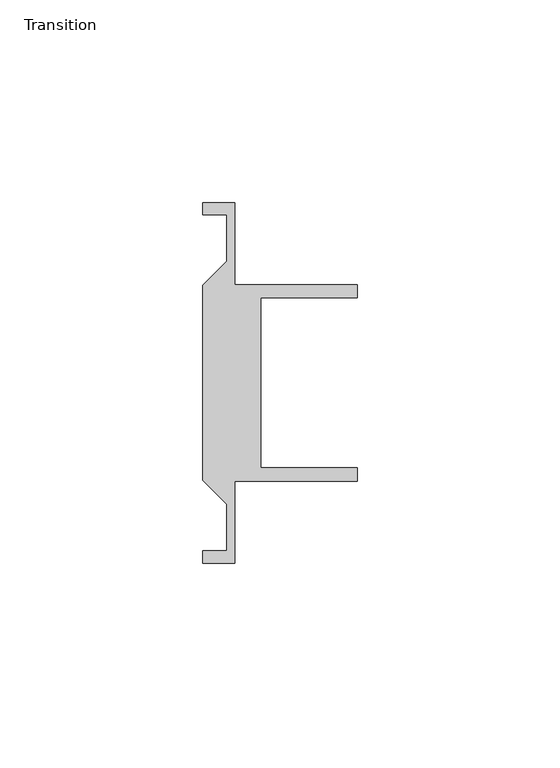
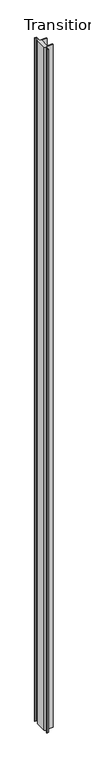
"""IFC4 building model written with IfcOpenShell, lengths in millimetres: furniture geometry, Transition."""

from ifc_helpers import new_model, si_unit, origin, origin_with_axes, place, context, project, spatial, polyline, outline, extrude, source, transform, mapped, element, save


def transition_2b3c9d75(model_context):
    return source(origin(), model_context, "Body", "SweptSolid", [
        extrude(outline(polyline([(37.9146531, 39.7518058), (68.0771531, 39.7518058), (68.0771531, 36.4518057), (44.2646531, 36.4518057), (44.2646531, -5.4481956), (68.0771531, -5.4481956), (68.0771531, -8.7481957), (37.9146531, -8.7481957), (37.9146531, -28.948195), (29.9771531, -28.948195), (29.9771531, -25.9481963), (35.9261905, -25.9481963), (35.9261905, -14.4787964), (29.9771531, -8.5297591), (29.9771531, 39.5333691), (35.9261905, 45.4824065), (35.9261905, 56.9518064), (29.9771531, 56.9518064), (29.9771531, 59.951805), (37.9146531, 59.951805), (37.9146531, 39.7518058)])), origin_with_axes(), (0.0, 0.0, 1.0), 3048.0),
    ])


if __name__ == "__main__":
    model = new_model("IFC4")
    model_context = context("Model", 3, world=origin())
    ifc_project = project(units=[si_unit("LENGTHUNIT", "METRE", prefix="MILLI")], contexts=[model_context])
    site = spatial("IfcSite", under=ifc_project)
    building = spatial("IfcBuilding", under=site)
    placement = place(None, origin())
    transition_shape = transition_2b3c9d75(model_context)
    element("IfcFurniture", 1, ObjectType="Transition", at=placement, inside=building, context=model_context, shape_type="MappedRepresentation", body=[
        mapped(transition_shape, transform((0.0, 0.0, 0.0), x_axis=(1.0, 0.0, 0.0), y_axis=(0.0, 1.0, 0.0), z_axis=(0.0, 0.0, 1.0))),
    ])
    save(model, "model.ifc")
